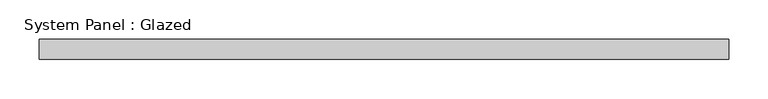
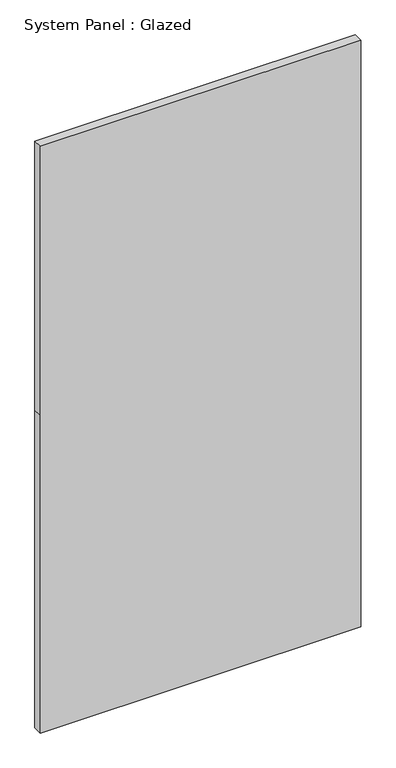
"""IFC4 building model written with IfcOpenShell, lengths in millimetres: plate geometry, System Panel : Glazed."""

import ifcopenshell
import ifcopenshell.guid

model = None  # the IFC model being written
_history = None  # IfcOwnerHistory: only IFC2X3 demands one
_inside = {}  # id of a spatial element -> (the spatial element, [elements in it])
_under = {}  # id of a project, library or spatial element -> (it, [spatial elements below it])
_declared = {}  # id of a project -> (the project, [libraries it declares])
_typed = {}  # id of a type object -> (the type object, [elements of that type])
_made_of = {}  # id of a material, layer set ... -> (it, [elements and type objects made of it])


def new_model(schema):
    """Start an empty IFC model of exactly this schema.

    Asked for "IFC4X3", IfcOpenShell would pick the latest addendum, in which some entities
    have other attributes; the version numbers below select the first issue.
    IFC2X3 requires an IfcOwnerHistory on every rooted entity: one is made here for all.
    """
    global model, _history
    if schema == "IFC4X3":
        model = ifcopenshell.file(schema_version=(4, 3, 0, 0))
    else:
        model = ifcopenshell.file(schema=schema)
    _inside.clear()
    _under.clear()
    _declared.clear()
    _typed.clear()
    _made_of.clear()
    _history = None
    if model.schema == "IFC2X3":
        org = make("IfcOrganization", Name="unknown")
        user = make(
            "IfcPersonAndOrganization",
            ThePerson=make("IfcPerson", FamilyName="unknown"),
            TheOrganization=org,
        )
        app = make(
            "IfcApplication",
            ApplicationDeveloper=org,
            Version="unknown",
            ApplicationFullName="unknown",
            ApplicationIdentifier="unknown",
        )
        _history = make(
            "IfcOwnerHistory",
            OwningUser=user,
            OwningApplication=app,
            ChangeAction="ADDED",
            CreationDate=0,
        )
    return model


def make(cls, **values):
    """One entity of the class cls with the attributes given. An attribute that is None is left unset."""
    return model.create_entity(
        cls, **{name: value for name, value in values.items() if value is not None}
    )


def rooted(cls, **values):
    """An entity with a GlobalId (a new one), such as an element, a storey or a relation."""
    return make(cls, GlobalId=ifcopenshell.guid.new(), OwnerHistory=_history, **values)


def si_unit(unit_type, name, prefix=None):
    """IfcSIUnit, for example si_unit("LENGTHUNIT", "METRE", prefix="MILLI")."""
    return make("IfcSIUnit", UnitType=unit_type, Prefix=prefix, Name=name)


def assignment(units):
    """IfcUnitAssignment: the units of a project."""
    return None if units is None else make("IfcUnitAssignment", Units=units)


def point(xyz):
    """IfcCartesianPoint."""
    return None if xyz is None else make("IfcCartesianPoint", Coordinates=xyz)


def direction(xyz):
    """IfcDirection."""
    return None if xyz is None else make("IfcDirection", DirectionRatios=xyz)


def frame(location, z_axis=None, x_axis=None):
    """IfcAxis2Placement3D, a coordinate frame: its origin and axes. An axis left out is left unset."""
    return make(
        "IfcAxis2Placement3D",
        Location=point(location),
        Axis=direction(z_axis),
        RefDirection=direction(x_axis),
    )


def origin():
    """The frame at (0, 0, 0) with its axes left unset."""
    return frame((0.0, 0.0, 0.0))


def place(relative_to, where):
    """IfcLocalPlacement: puts the frame where relative to a parent placement (None: the world)."""
    return make(
        "IfcLocalPlacement", PlacementRelTo=relative_to, RelativePlacement=where
    )


def context(
    kind, dimensions, precision=None, world=None, true_north=None, identifier=None
):
    """IfcGeometricRepresentationContext, for example the 3D "Model" context."""
    return make(
        "IfcGeometricRepresentationContext",
        ContextIdentifier=identifier,
        ContextType=kind,
        CoordinateSpaceDimension=dimensions,
        Precision=precision,
        WorldCoordinateSystem=world,
        TrueNorth=true_north,
    )


def project(units=None, contexts=None):
    """IfcProject with its units and contexts."""
    return rooted(
        "IfcProject",
        Name="project",
        RepresentationContexts=contexts,
        UnitsInContext=assignment(units),
    )


def spatial(cls, under=None, at=None, **own):
    """A site, building, storey or space (cls), placed at a placement, below another one or the project."""
    s = rooted(cls, ObjectPlacement=at, **own)
    if under is not None:
        _under.setdefault(under.id(), (under, []))[1].append(s)
    return s


def polyline(points):
    """IfcPolyline through the points."""
    return make("IfcPolyline", Points=[point(p) for p in points])


def outline(outer, holes=None, kind="AREA"):
    """IfcArbitraryClosedProfileDef: a profile drawn as a closed curve; with holes, ...WithVoids."""
    if holes is None:
        return make("IfcArbitraryClosedProfileDef", ProfileType=kind, OuterCurve=outer)
    return make(
        "IfcArbitraryProfileDefWithVoids",
        ProfileType=kind,
        OuterCurve=outer,
        InnerCurves=holes,
    )


def extrude(swept, where, along, depth):
    """IfcExtrudedAreaSolid: the profile swept, set in the frame where, extruded along a direction by depth."""
    return make(
        "IfcExtrudedAreaSolid",
        SweptArea=swept,
        Position=where,
        ExtrudedDirection=direction(along),
        Depth=depth,
    )


def shape(context_of_items, identifier, shape_type, items):
    """IfcShapeRepresentation: the items that make up one representation, for example the "Body"."""
    return make(
        "IfcShapeRepresentation",
        ContextOfItems=context_of_items,
        RepresentationIdentifier=identifier,
        RepresentationType=shape_type,
        Items=items,
    )


def source(mapping_origin, context_of_items, identifier, shape_type, items):
    """IfcRepresentationMap: a shape defined once, which mapped items show again and again."""
    return make(
        "IfcRepresentationMap",
        MappingOrigin=mapping_origin,
        MappedRepresentation=shape(context_of_items, identifier, shape_type, items),
    )


def transform(
    local_origin,
    x_axis=None,
    y_axis=None,
    z_axis=None,
    scale=None,
    scale2=None,
    scale3=None,
    uniform=True,
):
    """IfcCartesianTransformationOperator3D, or its non-uniform kind. x_axis, y_axis, z_axis: its Axis1, 2, 3."""
    if uniform:
        return make(
            "IfcCartesianTransformationOperator3D",
            Axis1=direction(x_axis),
            Axis2=direction(y_axis),
            LocalOrigin=point(local_origin),
            Scale=scale,
            Axis3=direction(z_axis),
        )
    return make(
        "IfcCartesianTransformationOperator3DnonUniform",
        Axis1=direction(x_axis),
        Axis2=direction(y_axis),
        LocalOrigin=point(local_origin),
        Scale=scale,
        Axis3=direction(z_axis),
        Scale2=scale2,
        Scale3=scale3,
    )


def mapped(mapping_source, mapping_target):
    """IfcMappedItem: shows the shape of a source again, moved by a transform."""
    return make(
        "IfcMappedItem", MappingSource=mapping_source, MappingTarget=mapping_target
    )


def made_of(thing, what):
    """Note that an element or type object is made of a material, layer set ...; save() writes the relation."""
    if what is not None:
        _made_of.setdefault(what.id(), (what, []))[1].append(thing)
    return thing


def element(
    cls,
    number,
    at=None,
    inside=None,
    cuts=None,
    type_object=None,
    material=None,
    context=None,
    identifier="Body",
    shape_type=None,
    held_by="IfcProductDefinitionShape",
    body=None,
    shapes=None,
    **own,
):
    """One element of the class cls, such as IfcWall. Its Tag is "e" and its number.

    at: its placement. inside: the storey or other place that contains it. cuts: it is an
    opening in that element (IfcRelVoidsElement). A single representation is given by context,
    identifier, shape_type and body (its items); several are given by shapes. held_by: the class
    of the entity that holds the representations. save() writes the other relations.
    """
    e = rooted(cls, Tag="e%d" % number, ObjectPlacement=at, **own)
    if body is not None:
        shapes = [shape(context, identifier, shape_type, body)]
    if shapes is not None:
        e.Representation = make(held_by, Representations=shapes)
    if inside is not None:
        _inside.setdefault(inside.id(), (inside, []))[1].append(e)
    if cuts is not None:
        rooted(
            "IfcRelVoidsElement", RelatingBuildingElement=cuts, RelatedOpeningElement=e
        )
    if type_object is not None:
        _typed.setdefault(type_object.id(), (type_object, []))[1].append(e)
    return made_of(e, material)


def aggregate(whole, parts):
    """IfcRelAggregates: a whole, such as a stair, and the parts it consists of."""
    return rooted("IfcRelAggregates", RelatingObject=whole, RelatedObjects=parts)


def save(model, path):
    """Write the relations noted so far, then the file.

    IfcRelAggregates (storeys below a building ...), IfcRelContainedInSpatialStructure (elements
    in a storey), IfcRelDefinesByType, IfcRelAssociatesMaterial and IfcRelDeclares: one each for
    every whole, place, type object, material and project.
    """
    for whole, parts in _under.values():
        aggregate(whole, parts)
    for where, things in _inside.values():
        rooted(
            "IfcRelContainedInSpatialStructure",
            RelatedElements=things,
            RelatingStructure=where,
        )
    for kind, things in _typed.values():
        rooted("IfcRelDefinesByType", RelatedObjects=things, RelatingType=kind)
    for what, things in _made_of.values():
        rooted("IfcRelAssociatesMaterial", RelatedObjects=things, RelatingMaterial=what)
    for by, libraries in _declared.values():
        rooted("IfcRelDeclares", RelatingContext=by, RelatedDefinitions=libraries)
    model.write(path)


def system_panel_glazed_98bbedc4(model_context):
    return source(origin(), model_context, "Body", "SweptSolid", [
        extrude(outline(polyline([(0.0, -436.6666667), (0.0, 436.6666667), (915.0, 436.6666667), (1690.0, 436.6666667), (1690.0, -436.6666667), (915.0, -436.6666667), (0.0, -436.6666667)])), frame((0.0, 24.5, 0.0), z_axis=(0.0, 1.0, 0.0), x_axis=(0.0, 0.0, 1.0)), (0.0, 0.0, 1.0), 25.0),
    ])


if __name__ == "__main__":
    model = new_model("IFC4")
    model_context = context("Model", 3, world=origin())
    ifc_project = project(units=[si_unit("LENGTHUNIT", "METRE", prefix="MILLI")], contexts=[model_context])
    site = spatial("IfcSite", under=ifc_project)
    building = spatial("IfcBuilding", under=site)
    placement = place(None, origin())
    system_panel_glazed_shape = system_panel_glazed_98bbedc4(model_context)
    element("IfcPlate", 1, ObjectType="System Panel : Glazed", at=placement, inside=building, context=model_context, shape_type="MappedRepresentation", body=[
        mapped(system_panel_glazed_shape, transform((0.0, 0.0, 0.0), x_axis=(1.0, 0.0, 0.0), y_axis=(0.0, 1.0, 0.0), z_axis=(0.0, 0.0, 1.0))),
    ])
    save(model, "model.ifc")
